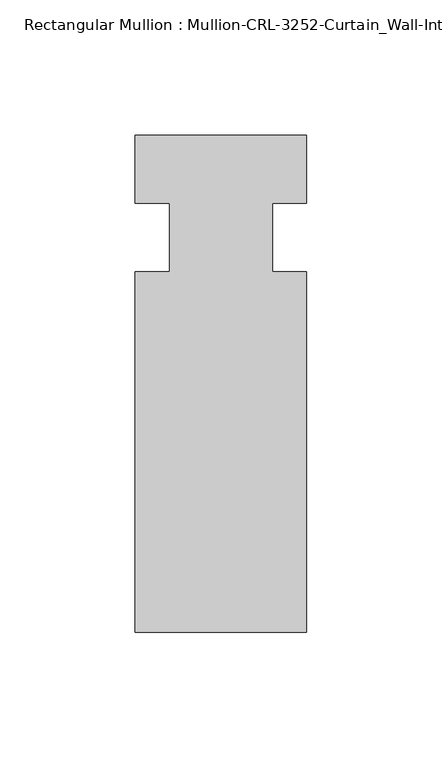
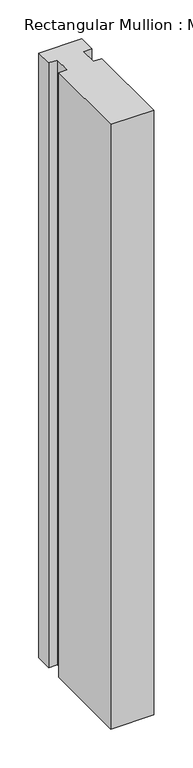
"""IFC4 building model written with IfcOpenShell, lengths in millimetres: member geometry, Rectangular Mullion : Mullion-CRL-3252-Curtain_Wall-Intermediate_Horizontal."""

from ifc_helpers import new_model, si_unit, frame, origin, place, context, project, spatial, polyline, outline, extrude, source, transform, mapped, element, save


def rectangular_mullion_mullion_crl_3252_curtain_wall_78fa6632(model_context):
    return source(origin(), model_context, "Body", "SweptSolid", [
        extrude(outline(polyline([(31.7997793, -146.0054758), (-31.7000602, -146.0054758), (-31.7000602, -12.7), (-19.008026, -12.7), (-19.008026, 12.7), (-31.7000602, 12.7), (-31.7000602, 37.8598496), (31.7997793, 37.8598496), (31.7997793, 12.7), (19.0940404, 12.7), (19.0940404, -12.7), (31.7997793, -12.7), (31.7997793, -146.0054758)])), frame((0.0, 0.0, -946.3424921), z_axis=(0.0, 0.0, 1.0), x_axis=(1.0, 0.0, 0.0)), (0.0, 0.0, 1.0), 946.3424921),
    ])


if __name__ == "__main__":
    model = new_model("IFC4")
    model_context = context("Model", 3, world=origin())
    ifc_project = project(units=[si_unit("LENGTHUNIT", "METRE", prefix="MILLI")], contexts=[model_context])
    site = spatial("IfcSite", under=ifc_project)
    building = spatial("IfcBuilding", under=site)
    placement = place(None, origin())
    rectangular_mullion_mullion_crl_3252_curtain_wall_shape = rectangular_mullion_mullion_crl_3252_curtain_wall_78fa6632(model_context)
    element("IfcMember", 1, ObjectType="Rectangular Mullion : Mullion-CRL-3252-Curtain_Wall-Intermediate_Horizontal", at=placement, inside=building, context=model_context, shape_type="MappedRepresentation", body=[
        mapped(rectangular_mullion_mullion_crl_3252_curtain_wall_shape, transform((0.0, 0.0, 0.0), x_axis=(1.0, 0.0, 0.0), y_axis=(0.0, 1.0, 0.0), z_axis=(0.0, 0.0, 1.0))),
    ])
    save(model, "model.ifc")
